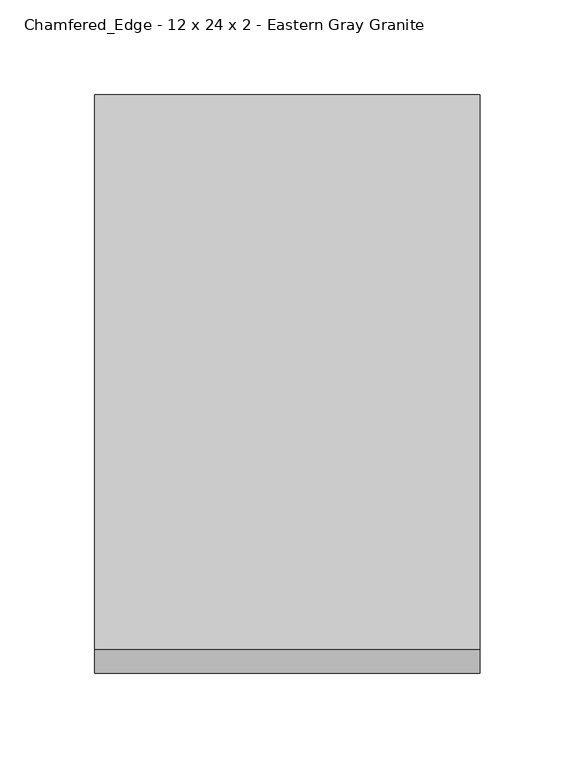
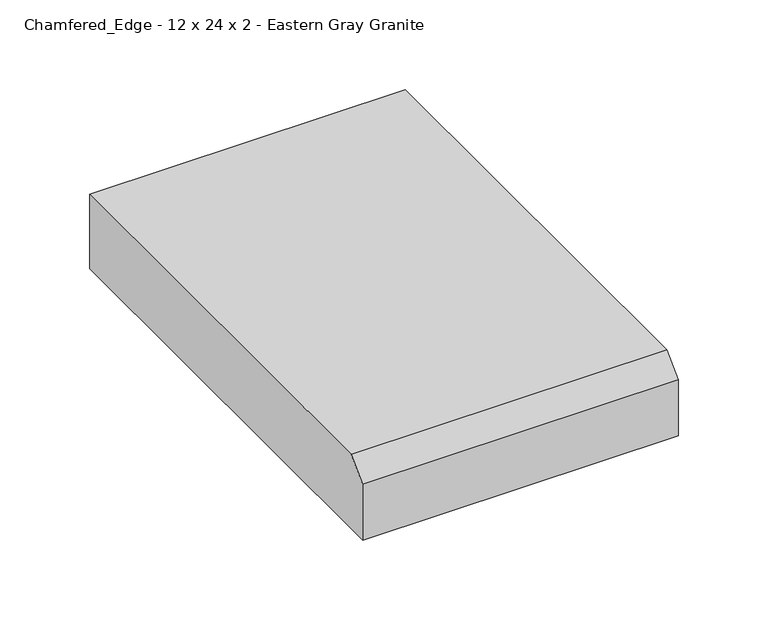
"""IFC4 building model written with IfcOpenShell, lengths in millimetres: proxy geometry, Chamfered_Edge - 12 x 24 x 2 - Eastern Gray Granite."""

from ifc_helpers import new_model, si_unit, frame, origin, place, context, project, spatial, polyline, outline, extrude, source, transform, mapped, element, save


def chamfered_edge_12_x_24_x_2_eastern_gray_granite_fee50008(model_context):
    return source(origin(), model_context, "Body", "SweptSolid", [
        extrude(outline(polyline([(-304.8, 0.0), (-304.8, 38.1), (-292.1, 50.8), (0.0, 50.8), (0.0, 0.0), (-304.8, 0.0)])), frame((0.0, 0.0, 0.0), z_axis=(1.0, 0.0, 0.0), x_axis=(0.0, 1.0, 0.0)), (0.0, 0.0, 1.0), 203.2),
    ])


if __name__ == "__main__":
    model = new_model("IFC4")
    model_context = context("Model", 3, world=origin())
    ifc_project = project(units=[si_unit("LENGTHUNIT", "METRE", prefix="MILLI")], contexts=[model_context])
    site = spatial("IfcSite", under=ifc_project)
    building = spatial("IfcBuilding", under=site)
    placement = place(None, origin())
    chamfered_edge_12_x_24_x_2_eastern_gray_granite_shape = chamfered_edge_12_x_24_x_2_eastern_gray_granite_fee50008(model_context)
    element("IfcBuildingElementProxy", 1, Name="Chamfered_Edge - 12 x 24 x 2 - Eastern Gray Granite", ObjectType="Chamfered_Edge - 12 x 24 x 2 - Eastern Gray Granite", at=placement, inside=building, context=model_context, shape_type="MappedRepresentation", body=[
        mapped(chamfered_edge_12_x_24_x_2_eastern_gray_granite_shape, transform((0.0, 0.0, 0.0), x_axis=(1.0, 0.0, 0.0), y_axis=(0.0, 1.0, 0.0), z_axis=(0.0, 0.0, 1.0))),
    ])
    save(model, "model.ifc")
